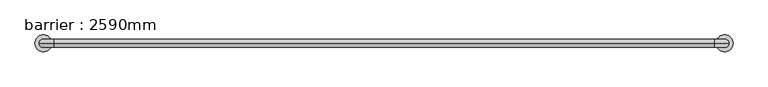
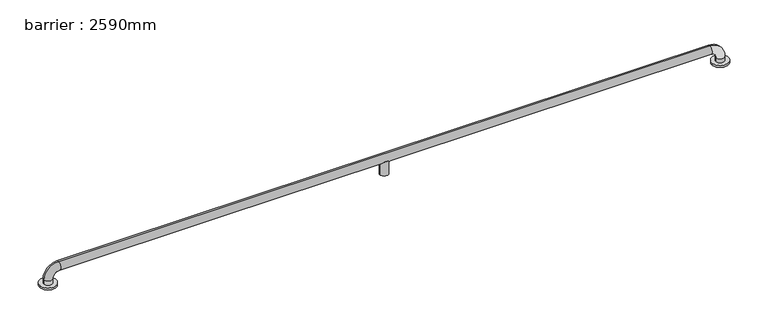
"""IFC4 building model written with IfcOpenShell, lengths in millimetres: geographic element geometry, barrier : 2590mm."""

from ifc_helpers import new_model, si_unit, point, frame, origin, place, context, project, spatial, circle_curve, ellipse_curve, trimmed, source, transform, mapped, element, save
from ifc_brep_helpers import plane_surface, cylinder_surface, revolved_surface, advanced_brep


def barrier_2590mm_bcef75f4(model_context):
    return source(origin(), model_context, "Body", "AdvancedBrep", [
        advanced_brep(
        [(-902.9088928, 0.0, 0.0), (-822.9088928, 0.0, 0.0), (2338.8899106, 0.0, 0.0), (2418.8899106, 0.0, 0.0), (-842.9088928, 0.0, 30.0), (-842.9088928, 0.0, 10.0), (-882.9088928, 0.0, 10.0), (-882.9088928, 0.0, 30.0), (-812.9088928, 0.0, 100.0), (-812.9088928, 0.0, 60.0), (2328.8899106, 0.0, 100.0), (2328.8899106, 0.0, 60.0), (777.9905089, 0.0, 60.0), (766.6842201, 18.0116458, 71.3062888), (749.2967977, 18.0116458, 71.3062888), (737.9905089, 0.0, 60.0), (749.2967977, -18.0116458, 71.3062888), (766.6842201, -18.0116458, 71.3062888), (2398.8899106, 0.0, 30.0), (2358.8899106, 0.0, 30.0), (2398.8899106, 0.0, 10.0), (2358.8899106, 0.0, 10.0), (737.9905089, 0.0, 0.0), (777.9905089, 0.0, 0.0), (-902.9088928, 0.0, 10.0), (-822.9088928, 0.0, 10.0), (2338.8899106, 0.0, 10.0), (2418.8899106, 0.0, 10.0)],
        [
            (0, 1, circle_curve(frame((-862.9088928, 0.0, 0.0), z_axis=(0.0, 0.0, -1.0), x_axis=(1.0, 0.0, 0.0)), 40.0)),
            (1, 0, circle_curve(frame((-862.9088928, 0.0, 0.0), z_axis=(0.0, 0.0, -1.0), x_axis=(1.0, 0.0, 0.0)), 40.0)),
            (2, 3, circle_curve(frame((2378.8899106, 0.0, 0.0), z_axis=(0.0, 0.0, -1.0), x_axis=(1.0, 0.0, 0.0)), 40.0)),
            (3, 2, circle_curve(frame((2378.8899106, 0.0, 0.0), z_axis=(0.0, 0.0, -1.0), x_axis=(1.0, 0.0, 0.0)), 40.0)),
            (4, 5),
            (5, 6, circle_curve(frame((-862.9088928, 0.0, 10.0), z_axis=(0.0, 0.0, 1.0), x_axis=(-1.0, 0.0, 0.0)), 20.0)),
            (6, 7),
            (7, 4, circle_curve(frame((-862.9088928, 0.0, 30.0), z_axis=(0.0, 0.0, -1.0), x_axis=(-1.0, 0.0, 0.0)), 20.0)),
            (6, 5, circle_curve(frame((-862.9088928, 0.0, 10.0), z_axis=(0.0, 0.0, 1.0), x_axis=(-1.0, 0.0, 0.0)), 20.0)),
            (4, 7, circle_curve(frame((-862.9088928, 0.0, 30.0), z_axis=(0.0, 0.0, -1.0), x_axis=(-1.0, 0.0, 0.0)), 20.0)),
            (7, 8, circle_curve(frame((-812.9088928, 0.0, 30.0), z_axis=(0.0, 1.0, 0.0), x_axis=(-1.0, 0.0, 0.0)), 70.0)),
            (8, 9, circle_curve(frame((-812.9088928, 0.0, 80.0), z_axis=(-1.0, 0.0, 0.0), x_axis=(0.0, 0.0, 1.0)), 20.0)),
            (9, 4, circle_curve(frame((-812.9088928, 0.0, 30.0), z_axis=(0.0, -1.0, 0.0), x_axis=(-1.0, 0.0, 0.0)), 30.0)),
            (9, 8, circle_curve(frame((-812.9088928, 0.0, 80.0), z_axis=(-1.0, 0.0, 0.0), x_axis=(0.0, 0.0, 1.0)), 20.0)),
            (8, 10),
            (10, 11, circle_curve(frame((2328.8899106, 0.0, 80.0), z_axis=(-1.0, 0.0, 0.0), x_axis=(0.0, 0.0, 1.0)), 20.0)),
            (11, 12),
            (12, 13, ellipse_curve(frame((757.9905089, 0.0, 80.0), z_axis=(0.7071067811865475, 0.0, 0.7071067811865475), x_axis=(-0.7071067811865476, 0.0, 0.7071067811865474)), 28.2842712, 20.0)),
            (13, 14),
            (14, 15, ellipse_curve(frame((757.9905089, 0.0, 80.0), z_axis=(-0.7071067811865475, 0.0, 0.7071067811865475), x_axis=(-0.7071067811865476, 0.0, -0.7071067811865474)), 28.2842712, 20.0)),
            (15, 9),
            (15, 16, ellipse_curve(frame((757.9905089, 0.0, 80.0), z_axis=(-0.7071067811865475, 0.0, 0.7071067811865475), x_axis=(-0.7071067811865476, 0.0, -0.7071067811865474)), 28.2842712, 20.0)),
            (16, 17),
            (17, 12, ellipse_curve(frame((757.9905089, 0.0, 80.0), z_axis=(0.7071067811865475, 0.0, 0.7071067811865475), x_axis=(-0.7071067811865476, 0.0, 0.7071067811865474)), 28.2842712, 20.0)),
            (11, 10, circle_curve(frame((2328.8899106, 0.0, 80.0), z_axis=(-1.0, 0.0, 0.0), x_axis=(0.0, 0.0, 1.0)), 20.0)),
            (10, 18, circle_curve(frame((2328.8899106, 0.0, 30.0), z_axis=(0.0, 1.0, 0.0), x_axis=(0.0, 0.0, 1.0)), 70.0)),
            (18, 19, circle_curve(frame((2378.8899106, 0.0, 30.0), z_axis=(0.0, 0.0, 1.0), x_axis=(1.0, 0.0, 0.0)), 20.0)),
            (19, 11, circle_curve(frame((2328.8899106, 0.0, 30.0), z_axis=(0.0, -1.0, 0.0), x_axis=(0.0, 0.0, 1.0)), 30.0)),
            (19, 18, circle_curve(frame((2378.8899106, 0.0, 30.0), z_axis=(0.0, 0.0, 1.0), x_axis=(1.0, 0.0, 0.0)), 20.0)),
            (18, 20),
            (20, 21, circle_curve(frame((2378.8899106, 0.0, 10.0), z_axis=(0.0, 0.0, 1.0), x_axis=(1.0, 0.0, 0.0)), 20.0)),
            (21, 19),
            (21, 20, circle_curve(frame((2378.8899106, 0.0, 10.0), z_axis=(0.0, 0.0, 1.0), x_axis=(1.0, 0.0, 0.0)), 20.0)),
            (22, 23, circle_curve(frame((757.9905089, 0.0, 0.0), z_axis=(0.0, 0.0, -1.0), x_axis=(1.0, 0.0, 0.0)), 20.0)),
            (23, 22, circle_curve(frame((757.9905089, 0.0, 0.0), z_axis=(0.0, 0.0, -1.0), x_axis=(1.0, 0.0, 0.0)), 20.0)),
            (22, 15),
            (14, 13, circle_curve(frame((757.9905089, 0.0, 71.3062888), z_axis=(0.0, 0.0, -1.0), x_axis=(1.0, 0.0, 0.0)), 20.0)),
            (12, 23),
            (17, 16, circle_curve(frame((757.9905089, 0.0, 71.3062888), z_axis=(0.0, 0.0, -1.0), x_axis=(1.0, 0.0, 0.0)), 20.0)),
            (24, 25, circle_curve(frame((-862.9088928, 0.0, 10.0), z_axis=(0.0, 0.0, 1.0), x_axis=(1.0, 0.0, 0.0)), 40.0)),
            (25, 24, circle_curve(frame((-862.9088928, 0.0, 10.0), z_axis=(0.0, 0.0, 1.0), x_axis=(1.0, 0.0, 0.0)), 40.0)),
            (26, 27, circle_curve(frame((2378.8899106, 0.0, 10.0), z_axis=(0.0, 0.0, 1.0), x_axis=(1.0, 0.0, 0.0)), 40.0)),
            (27, 26, circle_curve(frame((2378.8899106, 0.0, 10.0), z_axis=(0.0, 0.0, 1.0), x_axis=(1.0, 0.0, 0.0)), 40.0)),
            (25, 1),
            (0, 24),
            (27, 3),
            (2, 26),
        ],
        [
            plane_surface(frame((-862.9088928, 20.0, 0.0), z_axis=(0.0, 0.0, -1.0), x_axis=(1.0, 0.0, 0.0))),
            cylinder_surface(frame((-862.9088928, 0.0, 0.0), z_axis=(0.0, 0.0, -1.0), x_axis=(-1.0, 0.0, 0.0)), 20.0),
            revolved_surface(trimmed(ellipse_curve(frame((-862.9088928, 0.0, 30.0), z_axis=(0.0, 0.0, 1.0), x_axis=(-1.0, 0.0, 0.0)), 20.0, 20.0), [point((-842.9088928, 0.0, 30.0))], [point((-882.9088928, 0.0, 30.0))], True, "CARTESIAN"), (-812.9088928, 0.0, 30.0), (0.0, -1.0, 0.0)),
            revolved_surface(trimmed(ellipse_curve(frame((-862.9088928, 0.0, 30.0), z_axis=(0.0, 0.0, 1.0), x_axis=(-1.0, 0.0, 0.0)), 20.0, 20.0), [point((-882.9088928, 0.0, 30.0))], [point((-842.9088928, 0.0, 30.0))], True, "CARTESIAN"), (-812.9088928, 0.0, 30.0), (0.0, -1.0, 0.0)),
            cylinder_surface(frame((-812.9088928, 0.0, 80.0), z_axis=(-1.0, 0.0, 0.0), x_axis=(0.0, 0.0, 1.0)), 20.0),
            revolved_surface(trimmed(ellipse_curve(frame((2328.8899106, 0.0, 80.0), z_axis=(1.0, 0.0, 0.0), x_axis=(0.0, 0.0, 1.0)), 20.0, 20.0), [point((2328.8899106, 0.0, 60.0))], [point((2328.8899106, 0.0, 100.0))], True, "CARTESIAN"), (2328.8899106, 0.0, 30.0), (0.0, -1.0, 0.0)),
            revolved_surface(trimmed(ellipse_curve(frame((2328.8899106, 0.0, 80.0), z_axis=(1.0, 0.0, 0.0), x_axis=(0.0, 0.0, 1.0)), 20.0, 20.0), [point((2328.8899106, 0.0, 100.0))], [point((2328.8899106, 0.0, 60.0))], True, "CARTESIAN"), (2328.8899106, 0.0, 30.0), (0.0, -1.0, 0.0)),
            cylinder_surface(frame((2378.8899106, 0.0, 30.0), z_axis=(0.0, 0.0, 1.0), x_axis=(1.0, 0.0, 0.0)), 20.0),
            plane_surface(frame((777.9905089, 0.0, 0.0), z_axis=(0.0, 0.0, -1.0), x_axis=(0.0, 1.0, 0.0))),
            cylinder_surface(frame((757.9905089, 0.0, 0.0), z_axis=(0.0, 0.0, 1.0), x_axis=(1.0, 0.0, 0.0)), 20.0),
            plane_surface(frame((-822.9088928, 0.0, 10.0), z_axis=(0.0, 0.0, 1.0), x_axis=(0.0, -1.0, 0.0))),
            cylinder_surface(frame((-862.9088928, 0.0, 0.0), z_axis=(0.0, 0.0, 1.0), x_axis=(1.0, 0.0, 0.0)), 40.0),
            cylinder_surface(frame((2378.8899106, 0.0, 0.0), z_axis=(0.0, 0.0, 1.0), x_axis=(1.0, 0.0, 0.0)), 40.0),
            plane_surface(frame((777.9905089, 0.0, 71.3062888), z_axis=(0.0, 0.0, 1.0), x_axis=(0.0, -1.0, 0.0))),
        ],
        [
            (0, [[1, 2]]),
            (0, [[3, 4]]),
            (1, [[5, 6, 7, 8]]),
            (1, [[-7, 9, -5, 10]]),
            (2, [[11, 12, 13, -8]]),
            (3, [[-13, 14, -11, -10]]),
            (4, [[15, 16, 17, 18, 19, 20, 21, -12]]),
            (4, [[-21, 22, 23, 24, -17, 25, -15, -14]]),
            (5, [[26, 27, 28, -16]]),
            (6, [[-28, 29, -26, -25]]),
            (7, [[30, 31, 32, -27]]),
            (7, [[-32, 33, -30, -29]]),
            (8, [[34, 35]]),
            (9, [[36, -20, 37, -18, 38, -34]]),
            (9, [[-38, -24, 39, -22, -36, -35]]),
            (10, [[40, 41], [-9, -6]]),
            (10, [[42, 43], [-33, -31]]),
            (11, [[44, -1, 45, -41]]),
            (11, [[-45, -2, -44, -40]]),
            (12, [[46, -3, 47, -43]]),
            (12, [[-47, -4, -46, -42]]),
            (13, [[-19, -37]]),
            (13, [[-23, -39]]),
        ],
    ),
    ])


if __name__ == "__main__":
    model = new_model("IFC4")
    model_context = context("Model", 3, world=origin())
    ifc_project = project(units=[si_unit("LENGTHUNIT", "METRE", prefix="MILLI")], contexts=[model_context])
    site = spatial("IfcSite", under=ifc_project)
    building = spatial("IfcBuilding", under=site)
    placement = place(None, origin())
    barrier_2590mm_shape = barrier_2590mm_bcef75f4(model_context)
    element("IfcGeographicElement", 1, ObjectType="barrier : 2590mm", at=placement, inside=building, context=model_context, shape_type="MappedRepresentation", body=[
        mapped(barrier_2590mm_shape, transform((0.0, 0.0, 0.0), x_axis=(1.0, 0.0, 0.0), y_axis=(0.0, 1.0, 0.0), z_axis=(0.0, 0.0, 1.0))),
    ])
    save(model, "model.ifc")
